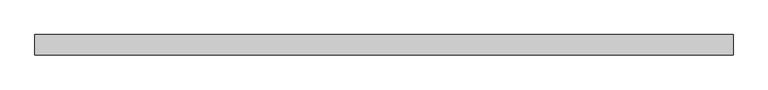
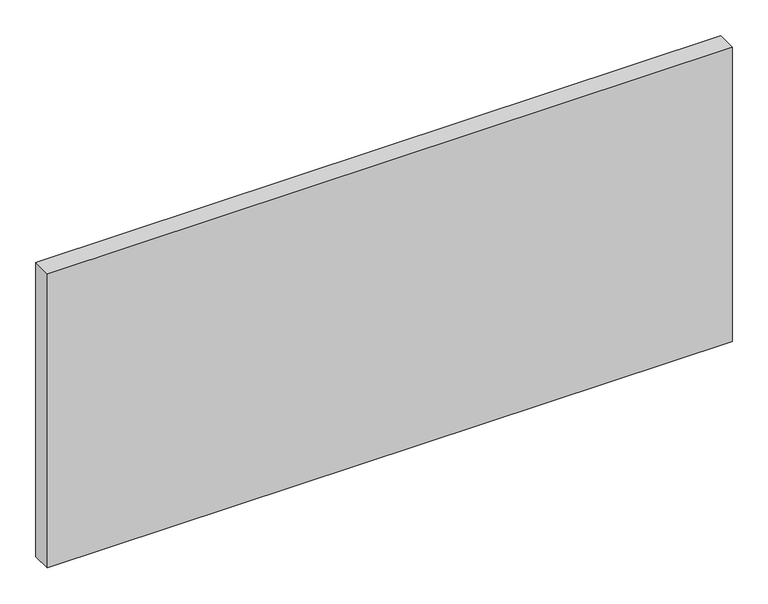
"""IFC4 building model written with IfcOpenShell, lengths in millimetres: plate geometry."""

import ifcopenshell
import ifcopenshell.guid

model = None  # the IFC model being written
_history = None  # IfcOwnerHistory: only IFC2X3 demands one
_inside = {}  # id of a spatial element -> (the spatial element, [elements in it])
_under = {}  # id of a project, library or spatial element -> (it, [spatial elements below it])
_declared = {}  # id of a project -> (the project, [libraries it declares])
_typed = {}  # id of a type object -> (the type object, [elements of that type])
_made_of = {}  # id of a material, layer set ... -> (it, [elements and type objects made of it])


def new_model(schema):
    """Start an empty IFC model of exactly this schema.

    Asked for "IFC4X3", IfcOpenShell would pick the latest addendum, in which some entities
    have other attributes; the version numbers below select the first issue.
    IFC2X3 requires an IfcOwnerHistory on every rooted entity: one is made here for all.
    """
    global model, _history
    if schema == "IFC4X3":
        model = ifcopenshell.file(schema_version=(4, 3, 0, 0))
    else:
        model = ifcopenshell.file(schema=schema)
    _inside.clear()
    _under.clear()
    _declared.clear()
    _typed.clear()
    _made_of.clear()
    _history = None
    if model.schema == "IFC2X3":
        org = make("IfcOrganization", Name="unknown")
        user = make(
            "IfcPersonAndOrganization",
            ThePerson=make("IfcPerson", FamilyName="unknown"),
            TheOrganization=org,
        )
        app = make(
            "IfcApplication",
            ApplicationDeveloper=org,
            Version="unknown",
            ApplicationFullName="unknown",
            ApplicationIdentifier="unknown",
        )
        _history = make(
            "IfcOwnerHistory",
            OwningUser=user,
            OwningApplication=app,
            ChangeAction="ADDED",
            CreationDate=0,
        )
    return model


def make(cls, **values):
    """One entity of the class cls with the attributes given. An attribute that is None is left unset."""
    return model.create_entity(
        cls, **{name: value for name, value in values.items() if value is not None}
    )


def rooted(cls, **values):
    """An entity with a GlobalId (a new one), such as an element, a storey or a relation."""
    return make(cls, GlobalId=ifcopenshell.guid.new(), OwnerHistory=_history, **values)


def si_unit(unit_type, name, prefix=None):
    """IfcSIUnit, for example si_unit("LENGTHUNIT", "METRE", prefix="MILLI")."""
    return make("IfcSIUnit", UnitType=unit_type, Prefix=prefix, Name=name)


def assignment(units):
    """IfcUnitAssignment: the units of a project."""
    return None if units is None else make("IfcUnitAssignment", Units=units)


def point(xyz):
    """IfcCartesianPoint."""
    return None if xyz is None else make("IfcCartesianPoint", Coordinates=xyz)


def direction(xyz):
    """IfcDirection."""
    return None if xyz is None else make("IfcDirection", DirectionRatios=xyz)


def frame(location, z_axis=None, x_axis=None):
    """IfcAxis2Placement3D, a coordinate frame: its origin and axes. An axis left out is left unset."""
    return make(
        "IfcAxis2Placement3D",
        Location=point(location),
        Axis=direction(z_axis),
        RefDirection=direction(x_axis),
    )


def origin():
    """The frame at (0, 0, 0) with its axes left unset."""
    return frame((0.0, 0.0, 0.0))


def origin_with_axes():
    """The frame at (0, 0, 0) with the z axis (0, 0, 1) and the x axis (1, 0, 0) written out."""
    return frame((0.0, 0.0, 0.0), z_axis=(0.0, 0.0, 1.0), x_axis=(1.0, 0.0, 0.0))


def place(relative_to, where):
    """IfcLocalPlacement: puts the frame where relative to a parent placement (None: the world)."""
    return make(
        "IfcLocalPlacement", PlacementRelTo=relative_to, RelativePlacement=where
    )


def context(
    kind, dimensions, precision=None, world=None, true_north=None, identifier=None
):
    """IfcGeometricRepresentationContext, for example the 3D "Model" context."""
    return make(
        "IfcGeometricRepresentationContext",
        ContextIdentifier=identifier,
        ContextType=kind,
        CoordinateSpaceDimension=dimensions,
        Precision=precision,
        WorldCoordinateSystem=world,
        TrueNorth=true_north,
    )


def project(units=None, contexts=None):
    """IfcProject with its units and contexts."""
    return rooted(
        "IfcProject",
        Name="project",
        RepresentationContexts=contexts,
        UnitsInContext=assignment(units),
    )


def spatial(cls, under=None, at=None, **own):
    """A site, building, storey or space (cls), placed at a placement, below another one or the project."""
    s = rooted(cls, ObjectPlacement=at, **own)
    if under is not None:
        _under.setdefault(under.id(), (under, []))[1].append(s)
    return s


def polyline(points):
    """IfcPolyline through the points."""
    return make("IfcPolyline", Points=[point(p) for p in points])


def outline(outer, holes=None, kind="AREA"):
    """IfcArbitraryClosedProfileDef: a profile drawn as a closed curve; with holes, ...WithVoids."""
    if holes is None:
        return make("IfcArbitraryClosedProfileDef", ProfileType=kind, OuterCurve=outer)
    return make(
        "IfcArbitraryProfileDefWithVoids",
        ProfileType=kind,
        OuterCurve=outer,
        InnerCurves=holes,
    )


def extrude(swept, where, along, depth):
    """IfcExtrudedAreaSolid: the profile swept, set in the frame where, extruded along a direction by depth."""
    return make(
        "IfcExtrudedAreaSolid",
        SweptArea=swept,
        Position=where,
        ExtrudedDirection=direction(along),
        Depth=depth,
    )


def shape(context_of_items, identifier, shape_type, items):
    """IfcShapeRepresentation: the items that make up one representation, for example the "Body"."""
    return make(
        "IfcShapeRepresentation",
        ContextOfItems=context_of_items,
        RepresentationIdentifier=identifier,
        RepresentationType=shape_type,
        Items=items,
    )


def source(mapping_origin, context_of_items, identifier, shape_type, items):
    """IfcRepresentationMap: a shape defined once, which mapped items show again and again."""
    return make(
        "IfcRepresentationMap",
        MappingOrigin=mapping_origin,
        MappedRepresentation=shape(context_of_items, identifier, shape_type, items),
    )


def transform(
    local_origin,
    x_axis=None,
    y_axis=None,
    z_axis=None,
    scale=None,
    scale2=None,
    scale3=None,
    uniform=True,
):
    """IfcCartesianTransformationOperator3D, or its non-uniform kind. x_axis, y_axis, z_axis: its Axis1, 2, 3."""
    if uniform:
        return make(
            "IfcCartesianTransformationOperator3D",
            Axis1=direction(x_axis),
            Axis2=direction(y_axis),
            LocalOrigin=point(local_origin),
            Scale=scale,
            Axis3=direction(z_axis),
        )
    return make(
        "IfcCartesianTransformationOperator3DnonUniform",
        Axis1=direction(x_axis),
        Axis2=direction(y_axis),
        LocalOrigin=point(local_origin),
        Scale=scale,
        Axis3=direction(z_axis),
        Scale2=scale2,
        Scale3=scale3,
    )


def mapped(mapping_source, mapping_target):
    """IfcMappedItem: shows the shape of a source again, moved by a transform."""
    return make(
        "IfcMappedItem", MappingSource=mapping_source, MappingTarget=mapping_target
    )


def made_of(thing, what):
    """Note that an element or type object is made of a material, layer set ...; save() writes the relation."""
    if what is not None:
        _made_of.setdefault(what.id(), (what, []))[1].append(thing)
    return thing


def element(
    cls,
    number,
    at=None,
    inside=None,
    cuts=None,
    type_object=None,
    material=None,
    context=None,
    identifier="Body",
    shape_type=None,
    held_by="IfcProductDefinitionShape",
    body=None,
    shapes=None,
    **own,
):
    """One element of the class cls, such as IfcWall. Its Tag is "e" and its number.

    at: its placement. inside: the storey or other place that contains it. cuts: it is an
    opening in that element (IfcRelVoidsElement). A single representation is given by context,
    identifier, shape_type and body (its items); several are given by shapes. held_by: the class
    of the entity that holds the representations. save() writes the other relations.
    """
    e = rooted(cls, Tag="e%d" % number, ObjectPlacement=at, **own)
    if body is not None:
        shapes = [shape(context, identifier, shape_type, body)]
    if shapes is not None:
        e.Representation = make(held_by, Representations=shapes)
    if inside is not None:
        _inside.setdefault(inside.id(), (inside, []))[1].append(e)
    if cuts is not None:
        rooted(
            "IfcRelVoidsElement", RelatingBuildingElement=cuts, RelatedOpeningElement=e
        )
    if type_object is not None:
        _typed.setdefault(type_object.id(), (type_object, []))[1].append(e)
    return made_of(e, material)


def aggregate(whole, parts):
    """IfcRelAggregates: a whole, such as a stair, and the parts it consists of."""
    return rooted("IfcRelAggregates", RelatingObject=whole, RelatedObjects=parts)


def save(model, path):
    """Write the relations noted so far, then the file.

    IfcRelAggregates (storeys below a building ...), IfcRelContainedInSpatialStructure (elements
    in a storey), IfcRelDefinesByType, IfcRelAssociatesMaterial and IfcRelDeclares: one each for
    every whole, place, type object, material and project.
    """
    for whole, parts in _under.values():
        aggregate(whole, parts)
    for where, things in _inside.values():
        rooted(
            "IfcRelContainedInSpatialStructure",
            RelatedElements=things,
            RelatingStructure=where,
        )
    for kind, things in _typed.values():
        rooted("IfcRelDefinesByType", RelatedObjects=things, RelatingType=kind)
    for what, things in _made_of.values():
        rooted("IfcRelAssociatesMaterial", RelatedObjects=things, RelatingMaterial=what)
    for by, libraries in _declared.values():
        rooted("IfcRelDeclares", RelatingContext=by, RelatedDefinitions=libraries)
    model.write(path)


def plate_83593292(model_context):
    return source(origin(), model_context, "Body", "SweptSolid", [
        extrude(outline(polyline([(549.9999998, -32.0), (-549.9999998, -32.0), (-549.9999998, 0.0), (549.9999998, 0.0), (549.9999998, -32.0)])), origin_with_axes(), (0.0, 0.0, 1.0), 500.0),
    ])


if __name__ == "__main__":
    model = new_model("IFC4")
    model_context = context("Model", 3, world=origin())
    ifc_project = project(units=[si_unit("LENGTHUNIT", "METRE", prefix="MILLI")], contexts=[model_context])
    site = spatial("IfcSite", under=ifc_project)
    building = spatial("IfcBuilding", under=site)
    placement = place(None, origin())
    plate_shape = plate_83593292(model_context)
    element("IfcPlate", 1, at=placement, inside=building, context=model_context, shape_type="MappedRepresentation", body=[
        mapped(plate_shape, transform((0.0, 0.0, 0.0), x_axis=(1.0, 0.0, 0.0), y_axis=(0.0, 1.0, 0.0), z_axis=(0.0, 0.0, 1.0))),
    ])
    save(model, "model.ifc")
